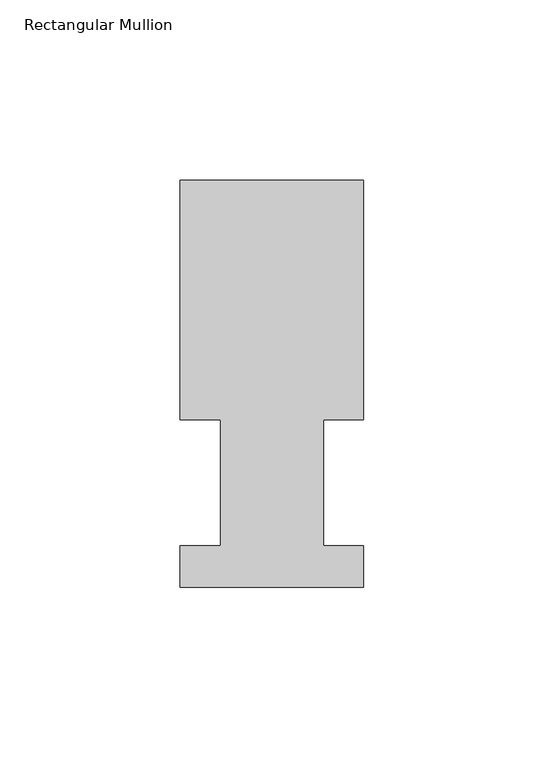
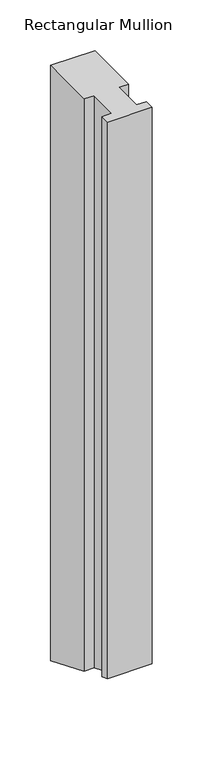
"""IFC4 building model written with IfcOpenShell, lengths in millimetres: member geometry, Rectangular Mullion."""

from ifc_helpers import new_model, si_unit, origin, place, context, project, spatial, faceted_brep, source, transform, mapped, element, save


def rectangular_mullion_bd97efea(model_context):
    return source(origin(), model_context, "Body", "Brep", [
        faceted_brep([(-50.8, 0.739775, 0.0), (0.0, 0.739775, 0.0), (0.0, 12.144375, 0.0), (-11.0998, 12.144375, 0.0), (-11.0998, 47.069375, 0.0), (0.0, 47.069375, 0.0), (0.0, 113.464975, 0.0), (-50.8, 113.464975, 0.0), (-50.8, 47.069375, 0.0), (-39.6875, 47.069375, 0.0), (-39.6875, 12.144375, 0.0), (-50.8, 12.144375, 0.0), (-50.8, 0.739775, -669.5492384), (0.0, 0.739775, -669.5492384), (0.0, 12.144375, -674.2731784), (-11.0998, 12.144375, -674.2731784), (-11.0998, 47.069375, -688.7395871), (0.0, 47.069375, -688.7395871), (0.0, 113.464975, -716.2415451), (-50.8, 113.464975, -716.2415451), (-50.8, 47.069375, -688.7395871), (-39.6875, 47.069375, -688.7395871), (-39.6875, 12.144375, -674.2731784), (-50.8, 12.144375, -674.2731784)], [[[0, 1, 2, 3, 4, 5, 6, 7, 8, 9, 10, 11]], [[1, 0, 12, 13]], [[2, 1, 13, 14]], [[3, 2, 14, 15]], [[4, 3, 15, 16]], [[5, 4, 16, 17]], [[6, 5, 17, 18]], [[7, 6, 18, 19]], [[8, 7, 19, 20]], [[9, 8, 20, 21]], [[10, 9, 21, 22]], [[11, 10, 22, 23]], [[0, 11, 23, 12]], [[12, 23, 22, 21, 20, 19, 18, 17, 16, 15, 14, 13]]]),
    ])


if __name__ == "__main__":
    model = new_model("IFC4")
    model_context = context("Model", 3, world=origin())
    ifc_project = project(units=[si_unit("LENGTHUNIT", "METRE", prefix="MILLI")], contexts=[model_context])
    site = spatial("IfcSite", under=ifc_project)
    building = spatial("IfcBuilding", under=site)
    placement = place(None, origin())
    rectangular_mullion_shape = rectangular_mullion_bd97efea(model_context)
    element("IfcMember", 1, ObjectType="Rectangular Mullion", at=placement, inside=building, context=model_context, shape_type="MappedRepresentation", body=[
        mapped(rectangular_mullion_shape, transform((0.0, 0.0, 0.0), x_axis=(1.0, 0.0, 0.0), y_axis=(0.0, 1.0, 0.0), z_axis=(0.0, 0.0, 1.0))),
    ])
    save(model, "model.ifc")
